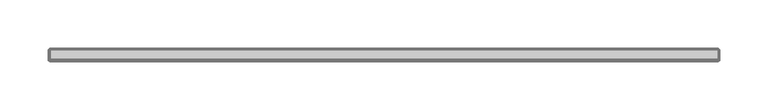
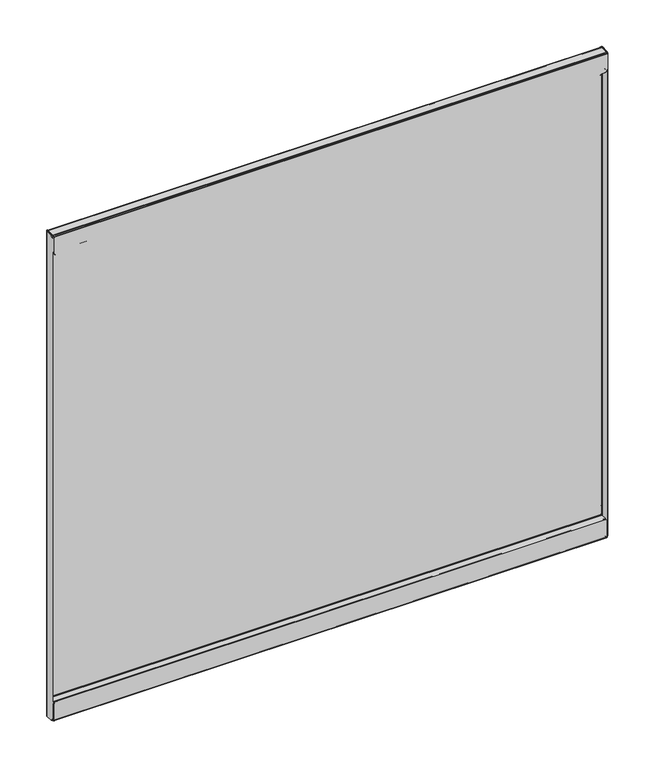
"""IFC4 building model written with IfcOpenShell, lengths in millimetres: furniture geometry."""

from ifc_helpers import new_model, si_unit, origin, place, context, project, spatial, triangles, source, transform, mapped, element, save


def furniture_196e73ff(model_context):
    return source(origin(), model_context, "Body", "Tessellation", [
        triangles([(36.8807998, -16.4083996, 61.8998009), (36.8807998, -15.6717996, 61.8998009), (36.1188005, -15.6717996, 61.695621), (36.1188005, -16.4083996, 61.695621), (35.5609767, -15.6717996, 61.1378016), (35.5609767, -16.4083996, 61.1378016), (35.356799, -15.6717996, 60.3757978), (35.356799, -16.4083996, 60.3757978), (35.356799, -16.4083996, 49.9364005), (35.356799, -15.6717996, 49.9364005), (35.356799, -15.8691713, 49.1997994), (35.356799, -16.5070854, 49.5681), (35.356799, -16.4083996, 48.66057), (35.356799, -16.7767001, 49.2984852), (35.356799, -17.1449995, 49.1997994), (35.356799, -17.1449995, 48.4631983), (726.6940155, -15.6717996, 49.9364005), (726.6940155, -15.8691713, 49.1997994), (726.6940155, -16.4083996, 48.66057), (726.6940155, -17.1449995, 48.4631983), (725.1699806, -16.4083996, 61.8998009), (725.1699806, -15.6717996, 61.8998009), (725.9319981, -15.6717996, 61.695621), (725.9319981, -16.4083996, 61.695621), (726.4898129, -15.6717996, 61.1378016), (726.4898129, -16.4083996, 61.1378016), (726.6940155, -15.6717996, 60.3757978), (726.6940155, -16.4083996, 60.3757978), (726.6940155, -16.4083996, 49.9364005), (726.6940155, -16.5070854, 49.5681), (726.6940155, -16.7767001, 49.2984852), (726.6940155, -17.1449995, 49.1997994), (35.356799, -25.4253989, 49.1997994), (35.356799, -25.4253989, 48.4631983), (35.356799, -25.7936995, 48.3645125), (35.356799, -26.162, 49.0024277), (35.356799, -26.0633142, 48.0948977), (35.356799, -26.7012295, 48.4631983), (35.356799, -26.162, 47.7266017), (35.356799, -26.8985989, 47.7266017), (726.6940155, -25.4253989, 48.4631983), (726.6940155, -25.7936995, 48.3645125), (726.6940155, -26.0633142, 48.0948977), (726.6940155, -26.162, 47.7266017), (726.6940155, -25.4253989, 49.1997994), (726.6940155, -26.162, 49.0024277), (726.6940155, -26.7012295, 48.4631983), (726.6940155, -26.8985989, 47.7266017), (35.356799, -26.162, 27.8130007), (35.356799, -26.8985989, 27.8130007), (35.356799, -26.0633142, 27.4447002), (35.356799, -26.7012295, 27.0763996), (35.356799, -26.162, 26.5371724), (35.356799, -25.7936995, 27.1750854), (35.356799, -25.4253989, 26.3398008), (35.356799, -25.4253989, 27.0763996), (726.6940155, -26.8985989, 27.8130007), (726.6940155, -26.7012295, 27.0763996), (726.6940155, -26.162, 26.5371724), (726.6940155, -25.4253989, 26.3398008), (726.6940155, -26.162, 27.8130007), (726.6940155, -26.0633142, 27.4447002), (726.6940155, -25.7936995, 27.1750854), (726.6940155, -25.4253989, 27.0763996), (35.356799, -16.4083996, 27.8130007), (35.356799, -15.6717996, 27.8130007), (35.356799, -15.8691713, 27.0763996), (35.356799, -16.5070854, 27.4447002), (35.356799, -16.7767001, 27.1750854), (35.356799, -16.4083996, 26.5371724), (35.356799, -17.1449995, 27.0763996), (35.356799, -17.1449995, 26.3398008), (726.6940155, -15.6717996, 27.8130007), (726.6940155, -15.8691713, 27.0763996), (726.6940155, -16.4083996, 26.5371724), (726.6940155, -17.1449995, 26.3398008), (726.6940155, -16.4083996, 27.8130007), (726.6940155, -16.5070854, 27.4447002), (726.6940155, -16.7767001, 27.1750854), (726.6940155, -17.1449995, 27.0763996), (35.356799, -16.4083996, 34.3408), (35.356799, -15.6717996, 34.3408), (35.5609767, -15.6717996, 35.1027992), (35.5609767, -16.4083996, 35.1027992), (36.1188005, -15.6717996, 35.6606231), (36.1188005, -16.4083996, 35.6606231), (36.8807998, -15.6717996, 35.8648008), (36.8807998, -16.4083996, 35.8648008), (726.6940155, -16.4083996, 34.3408), (726.4898129, -16.4083996, 35.1027992), (725.9319981, -16.4083996, 35.6606231), (725.1699806, -16.4083996, 35.8648008), (726.6940155, -15.6717996, 34.3408), (726.4898129, -15.6717996, 35.1027992), (725.9319981, -15.6717996, 35.6606231), (725.1699806, -15.6717996, 35.8648008), (36.1188005, -16.4083996, 630.9115625), (36.1188005, -15.6717996, 630.9115625), (36.8807998, -15.6717996, 630.7074326), (36.8807998, -16.4083996, 630.7074326), (35.5609767, -16.4083996, 631.4693773), (35.5609767, -15.6717996, 631.4693773), (35.356799, -16.4083996, 632.2313948), (35.356799, -15.6717996, 632.2313948), (35.356799, -16.5070854, 643.0390926), (35.356799, -15.8691713, 643.4073841), (35.356799, -16.4083996, 642.6708012), (35.356799, -15.6717996, 642.6708012), (35.356799, -16.7767001, 643.3086983), (35.356799, -16.4083996, 643.9465954), (35.356799, -17.1449995, 643.4073841), (35.356799, -17.1449995, 644.1439671), (726.6940155, -15.8691713, 643.4073841), (726.6940155, -15.6717996, 642.6708012), (726.6940155, -16.4083996, 643.9465954), (726.6940155, -17.1449995, 644.1439671), (725.9319981, -16.4083996, 630.9115625), (725.9319981, -15.6717996, 630.9115625), (725.1699806, -15.6717996, 630.7074326), (725.1699806, -16.4083996, 630.7074326), (726.4898129, -16.4083996, 631.4693773), (726.4898129, -15.6717996, 631.4693773), (726.6940155, -16.4083996, 632.2313948), (726.6940155, -15.6717996, 632.2313948), (726.6940155, -16.5070854, 643.0390926), (726.6940155, -16.4083996, 642.6708012), (726.6940155, -16.7767001, 643.3086983), (726.6940155, -17.1449995, 643.4073841), (35.356799, -26.162, 643.6047558), (35.356799, -25.7936995, 644.2426529), (35.356799, -25.4253989, 644.1439671), (35.356799, -25.4253989, 643.4073841), (35.356799, -26.7012295, 644.1439671), (35.356799, -26.0633142, 644.5123312), (35.356799, -26.8985989, 644.8806227), (35.356799, -26.162, 644.8806227), (726.6940155, -25.7936995, 644.2426529), (726.6940155, -25.4253989, 644.1439671), (726.6940155, -26.0633142, 644.5123312), (726.6940155, -26.162, 644.8806227), (726.6940155, -26.162, 643.6047558), (726.6940155, -25.4253989, 643.4073841), (726.6940155, -26.7012295, 644.1439671), (726.6940155, -26.8985989, 644.8806227), (35.356799, -26.0633142, 665.1625242), (35.356799, -26.7012295, 665.5308157), (35.356799, -26.162, 664.7942327), (35.356799, -26.8985989, 664.7942327), (35.356799, -25.7936995, 665.4321299), (35.356799, -26.162, 666.070027), (35.356799, -25.4253989, 665.5308157), (35.356799, -25.4253989, 666.2673986), (726.6940155, -26.7012295, 665.5308157), (726.6940155, -26.8985989, 664.7942327), (726.6940155, -26.162, 666.070027), (726.6940155, -25.4253989, 666.2673986), (726.6940155, -26.0633142, 665.1625242), (726.6940155, -26.162, 664.7942327), (726.6940155, -25.7936995, 665.4321299), (726.6940155, -25.4253989, 665.5308157), (35.356799, -16.5070854, 665.1625242), (35.356799, -15.8691713, 665.5308157), (35.356799, -16.4083996, 664.7942327), (35.356799, -15.6717996, 664.7942327), (35.356799, -16.7767001, 665.4321299), (35.356799, -16.4083996, 666.070027), (35.356799, -17.1449995, 665.5308157), (35.356799, -17.1449995, 666.2673986), (726.6940155, -15.8691713, 665.5308157), (726.6940155, -15.6717996, 664.7942327), (726.6940155, -16.4083996, 666.070027), (726.6940155, -17.1449995, 666.2673986), (726.6940155, -16.5070854, 665.1625242), (726.6940155, -16.4083996, 664.7942327), (726.6940155, -16.7767001, 665.4321299), (726.6940155, -17.1449995, 665.5308157), (35.5609767, -16.4083996, 657.5044161), (35.5609767, -15.6717996, 657.5044161), (35.356799, -15.6717996, 658.2664335), (35.356799, -16.4083996, 658.2664335), (36.1188005, -16.4083996, 656.9466013), (36.1188005, -15.6717996, 656.9466013), (36.8807998, -16.4083996, 656.7423986), (36.8807998, -15.6717996, 656.7423986), (726.4898129, -16.4083996, 657.5044161), (726.6940155, -16.4083996, 658.2664335), (725.9319981, -16.4083996, 656.9466013), (725.1699806, -16.4083996, 656.7423986), (726.4898129, -15.6717996, 657.5044161), (726.6940155, -15.6717996, 658.2664335), (725.9319981, -15.6717996, 656.9466013), (725.1699806, -15.6717996, 656.7423986), (33.2994005, -24.4602007, 667.0039816), (34.0359993, -24.4602007, 667.0039816), (33.2994005, -26.0476992, 666.5786442), (34.0359993, -26.0476992, 666.5786442), (33.2994005, -27.2098308, 665.4165058), (34.0359993, -27.2098308, 665.4165058), (33.2994005, -27.6352, 663.82903), (34.0359993, -27.6352, 663.82903), (34.0359993, -16.4338, 667.0039816), (33.2994005, -16.4338, 667.0039816), (34.1380893, -16.0528004, 667.0039816), (33.500174, -15.6844998, 667.0039816), (34.416999, -15.7738884, 667.0039816), (34.0487007, -15.1359743, 667.0039816), (34.7980009, -14.9351996, 667.0039816), (34.7980009, -15.6717996, 667.0039816), (34.7980009, -16.4338, 667.0039816), (34.7980009, -16.4338, 666.2673986), (34.7980009, -27.0763996, 667.0039816), (34.7980009, -27.0763996, 666.2673986), (34.7980009, -27.4573992, 666.1652973), (34.7980009, -27.8256998, 666.8031944), (34.7980009, -27.7363112, 665.8863899), (34.7980009, -28.3742265, 666.2546814), (34.7980009, -27.8383989, 665.5053812), (34.7980009, -28.575, 665.5053812), (34.7980009, -28.575, 644.77903), (34.7980009, -27.8383989, 644.77903), (35.2233701, -27.8383989, 643.1914816), (35.2233701, -28.575, 643.1914816), (36.3854994, -27.8383989, 642.0293432), (36.3854994, -28.575, 642.0293432), (37.9730001, -27.8383989, 641.6040058), (37.9730001, -28.575, 641.6040058), (726.6940155, -27.8383989, 644.77903), (726.2686054, -27.8383989, 643.1914816), (725.1064671, -27.8383989, 642.0293432), (723.5189913, -27.8383989, 641.6040058), (726.6940155, -28.575, 644.77903), (726.2686054, -28.575, 643.1914816), (725.1064671, -28.575, 642.0293432), (723.5189913, -28.575, 641.6040058), (726.6940155, -27.0763996, 666.2673986), (726.6940155, -27.4573992, 666.1652973), (726.6940155, -27.7363112, 665.8863899), (726.6940155, -27.8383989, 665.5053812), (726.6940155, -27.0763996, 667.0039816), (726.6940155, -27.8256998, 666.8031944), (726.6940155, -28.3742265, 666.2546814), (726.6940155, -28.575, 665.5053812), (726.6940155, -16.4338, 666.2673986), (726.6940155, -16.4338, 667.0039816), (726.6940155, -16.0676296, 666.9585629), (726.6940155, -16.2476116, 666.2442896), (726.6940155, -15.9498418, 666.0940081), (726.6940155, -15.482014, 666.6629414), (726.6940155, -15.7448079, 665.8308701), (726.6940155, -15.0787819, 666.1455311), (726.6940155, -15.6717996, 665.5053812), (726.6940155, -14.9351996, 665.5053812), (34.7980009, -16.0676296, 666.9585629), (34.7980009, -16.2476116, 666.2442896), (34.7980009, -15.9498418, 666.0940081), (34.7980009, -15.482014, 666.6629414), (34.7980009, -15.7448079, 665.8308701), (34.7980009, -15.0787819, 666.1455311), (34.7980009, -15.6717996, 665.5053812), (34.7980009, -14.9351996, 665.5053812), (726.6940155, -15.6717996, 27.1018), (34.7980009, -15.6717996, 27.1018), (726.6940155, -14.9351996, 27.1018), (34.7980009, -14.9351996, 27.1018), (726.6940155, -14.9351996, 667.0039816), (726.6940155, -15.6717996, 667.0039816), (728.1926159, -16.4338, 667.0039816), (727.4560329, -16.4338, 667.0039816), (727.3539316, -16.0528004, 667.0039816), (727.9918287, -15.6844998, 667.0039816), (727.0750242, -15.7738884, 667.0039816), (727.4433157, -15.1359743, 667.0039816), (727.4560329, -16.4338, 25.6031997), (727.3539316, -16.0528004, 25.6031997), (727.0750242, -15.7738884, 25.6031997), (726.6940155, -15.6717996, 25.6031997), (728.1926159, -16.4338, 25.6031997), (727.9918287, -15.6844998, 25.6031997), (727.4433157, -15.1359743, 25.6031997), (726.6940155, -14.9351996, 25.6031997), (726.6940155, -16.0861389, 25.6440856), (726.6940155, -16.2570235, 26.3605889), (726.6940155, -15.9548492, 26.5091377), (726.6940155, -15.4918619, 25.936228), (726.6940155, -15.7461932, 26.7734067), (726.6940155, -15.081507, 26.4559615), (34.7980009, -16.2570235, 26.3605889), (34.7980009, -15.9548492, 26.5091377), (34.7980009, -15.7461932, 26.7734067), (34.7980009, -15.081507, 26.4559615), (34.7980009, -15.4918619, 25.936228), (34.7980009, -16.0861389, 25.6440856), (726.6940155, -16.4338, 25.6031997), (34.7980009, -16.4338, 25.6031997), (34.7980009, -16.4338, 26.3398008), (726.6940155, -16.4338, 26.3398008), (726.6940155, -27.0763996, 26.3398008), (726.6940155, -27.0763996, 25.6031997), (34.7980009, -27.0763996, 26.3398008), (34.7980009, -27.0763996, 25.6031997), (34.7980009, -27.8383989, 27.1018), (34.7980009, -28.575, 27.1018), (34.7980009, -27.7363112, 26.7208004), (34.7980009, -28.3742265, 26.3524998), (34.7980009, -27.4573992, 26.4418885), (34.7980009, -27.8256998, 25.8039755), (726.6940155, -27.8383989, 27.1018), (726.6940155, -27.7363112, 26.7208004), (726.6940155, -27.4573992, 26.4418885), (726.6940155, -28.575, 27.1018), (726.6940155, -28.3742265, 26.3524998), (726.6940155, -27.8256998, 25.8039755), (728.1926159, -24.4602007, 25.6031997), (727.4560329, -24.4602007, 25.6031997), (728.1926159, -26.0476992, 26.0285689), (727.4560329, -26.0476992, 26.0285689), (728.1926159, -27.2098308, 27.1907004), (727.4560329, -27.2098308, 27.1907004), (728.1926159, -27.6352, 28.7781989), (727.4560329, -27.6352, 28.7781989), (727.4560329, -27.6352, 663.82903), (727.4560329, -27.2098308, 665.4165058), (727.4560329, -26.0476992, 666.5786442), (727.4560329, -24.4602007, 667.0039816), (728.1926159, -27.6352, 663.82903), (728.1926159, -27.2098308, 665.4165058), (728.1926159, -26.0476992, 666.5786442), (728.1926159, -24.4602007, 667.0039816), (726.6940155, -28.575, 47.8281989), (726.6940155, -27.8383989, 47.8281989), (723.5189913, -27.8383989, 51.0032004), (37.9730001, -27.8383989, 51.0032004), (37.9730001, -28.575, 51.0032004), (723.5189913, -28.575, 51.0032004), (36.3854994, -27.8383989, 50.5778312), (725.1064671, -27.8383989, 50.5778312), (35.2233701, -27.8383989, 49.4157019), (726.2686054, -27.8383989, 49.4157019), (34.7980009, -27.8383989, 47.8281989), (36.3854994, -28.575, 50.5778312), (35.2233701, -28.575, 49.4157019), (34.7980009, -28.575, 47.8281989), (725.1064671, -28.575, 50.5778312), (726.2686054, -28.575, 49.4157019), (34.0359993, -27.6352, 28.7781989), (34.0359993, -27.2098308, 27.1907004), (34.0359993, -26.0476992, 26.0285689), (34.0359993, -24.4602007, 25.6031997), (33.2994005, -27.6352, 28.7781989), (33.2994005, -27.2098308, 27.1907004), (33.2994005, -26.0476992, 26.0285689), (33.2994005, -24.4602007, 25.6031997), (34.7980009, -15.6717996, 25.6031997), (34.416999, -15.7738884, 25.6031997), (34.1380893, -16.0528004, 25.6031997), (34.0359993, -16.4338, 25.6031997), (34.7980009, -14.9351996, 25.6031997), (34.0487007, -15.1359743, 25.6031997), (33.500174, -15.6844998, 25.6031997), (33.2994005, -16.4338, 25.6031997)], [[1, 2, 3], [1, 3, 4], [4, 3, 5], [4, 5, 6], [6, 5, 7], [6, 7, 8], [9, 10, 11], [9, 11, 12], [12, 11, 13], [12, 13, 14], [14, 13, 15], [13, 16, 15], [10, 17, 18], [10, 18, 11], [11, 18, 19], [11, 19, 13], [13, 19, 20], [13, 20, 16], [21, 22, 23], [21, 23, 24], [24, 23, 25], [24, 25, 26], [26, 25, 27], [26, 27, 28], [29, 17, 18], [29, 18, 30], [30, 18, 19], [30, 19, 31], [31, 19, 32], [19, 20, 32], [29, 9, 12], [29, 12, 30], [30, 12, 14], [30, 14, 31], [31, 14, 15], [31, 15, 32], [33, 34, 35], [33, 35, 36], [36, 35, 37], [36, 37, 38], [38, 37, 39], [38, 39, 40], [34, 41, 42], [34, 42, 35], [35, 42, 43], [35, 43, 37], [37, 43, 44], [37, 44, 39], [41, 45, 46], [41, 46, 42], [42, 46, 47], [42, 47, 43], [43, 47, 44], [47, 48, 44], [45, 33, 36], [45, 36, 46], [46, 36, 38], [46, 38, 47], [47, 38, 40], [47, 40, 48], [49, 50, 51], [50, 52, 51], [51, 52, 53], [51, 53, 54], [54, 53, 55], [54, 55, 56], [50, 57, 58], [50, 58, 52], [52, 58, 59], [52, 59, 53], [53, 59, 60], [53, 60, 55], [57, 61, 62], [57, 62, 58], [58, 62, 63], [58, 63, 59], [59, 63, 60], [63, 64, 60], [61, 49, 51], [61, 51, 62], [62, 51, 54], [62, 54, 63], [63, 54, 56], [63, 56, 64], [65, 66, 67], [65, 67, 68], [68, 67, 69], [67, 70, 69], [69, 70, 71], [70, 72, 71], [66, 73, 74], [66, 74, 67], [67, 74, 75], [67, 75, 70], [70, 75, 76], [70, 76, 72], [73, 77, 74], [77, 78, 74], [74, 78, 79], [74, 79, 75], [75, 79, 80], [75, 80, 76], [77, 65, 68], [77, 68, 78], [78, 68, 69], [78, 69, 79], [79, 69, 71], [79, 71, 80], [1, 21, 24], [1, 24, 4], [4, 24, 26], [4, 26, 6], [6, 26, 28], [6, 28, 8], [22, 2, 3], [22, 3, 23], [23, 3, 5], [23, 5, 25], [25, 5, 7], [25, 7, 27], [81, 82, 83], [81, 83, 84], [84, 83, 85], [84, 85, 86], [86, 85, 87], [86, 87, 88], [81, 89, 90], [81, 90, 84], [84, 90, 91], [84, 91, 86], [86, 91, 92], [86, 92, 88], [89, 93, 94], [89, 94, 90], [90, 94, 95], [90, 95, 91], [91, 95, 96], [91, 96, 92], [93, 82, 83], [93, 83, 94], [94, 83, 85], [94, 85, 95], [95, 85, 87], [95, 87, 96], [27, 17, 10], [27, 10, 7], [82, 66, 73], [82, 73, 93], [29, 17, 28], [17, 27, 28], [28, 29, 9], [28, 9, 8], [8, 7, 10], [8, 10, 9], [15, 16, 33], [16, 34, 33], [33, 45, 32], [33, 32, 15], [40, 39, 49], [40, 49, 50], [50, 40, 48], [50, 48, 57], [20, 32, 45], [20, 45, 41], [44, 48, 57], [44, 57, 61], [64, 60, 76], [64, 76, 80], [77, 73, 89], [73, 93, 89], [92, 96, 87], [92, 87, 88], [20, 41, 34], [20, 34, 16], [49, 39, 44], [49, 44, 61], [64, 80, 71], [64, 71, 56], [76, 60, 55], [76, 55, 72], [81, 82, 66], [81, 66, 65], [71, 72, 56], [72, 55, 56], [97, 98, 99], [97, 99, 100], [101, 102, 98], [101, 98, 97], [103, 104, 102], [103, 102, 101], [105, 106, 107], [106, 108, 107], [109, 110, 105], [110, 106, 105], [111, 112, 110], [111, 110, 109], [106, 113, 114], [106, 114, 108], [110, 115, 113], [110, 113, 106], [112, 116, 115], [112, 115, 110], [117, 118, 119], [117, 119, 120], [121, 122, 118], [121, 118, 117], [123, 124, 122], [123, 122, 121], [125, 113, 126], [113, 114, 126], [127, 115, 125], [115, 113, 125], [128, 116, 115], [128, 115, 127], [125, 105, 107], [125, 107, 126], [127, 109, 105], [127, 105, 125], [128, 111, 109], [128, 109, 127], [129, 130, 131], [129, 131, 132], [133, 134, 129], [134, 130, 129], [135, 136, 133], [136, 134, 133], [130, 137, 138], [130, 138, 131], [134, 139, 137], [134, 137, 130], [136, 140, 139], [136, 139, 134], [137, 141, 142], [137, 142, 138], [139, 143, 141], [139, 141, 137], [140, 144, 143], [140, 143, 139], [141, 129, 132], [141, 132, 142], [143, 133, 129], [143, 129, 141], [144, 135, 133], [144, 133, 143], [145, 146, 147], [146, 148, 147], [149, 150, 145], [150, 146, 145], [151, 152, 150], [151, 150, 149], [146, 153, 154], [146, 154, 148], [150, 155, 153], [150, 153, 146], [152, 156, 155], [152, 155, 150], [153, 157, 158], [153, 158, 154], [155, 159, 157], [155, 157, 153], [156, 160, 159], [156, 159, 155], [157, 145, 147], [157, 147, 158], [159, 149, 145], [159, 145, 157], [160, 151, 149], [160, 149, 159], [161, 162, 163], [162, 164, 163], [165, 166, 161], [166, 162, 161], [167, 168, 166], [167, 166, 165], [162, 169, 170], [162, 170, 164], [166, 171, 169], [166, 169, 162], [168, 172, 171], [168, 171, 166], [169, 173, 174], [169, 174, 170], [171, 175, 173], [171, 173, 169], [172, 176, 175], [172, 175, 171], [173, 161, 163], [173, 163, 174], [175, 165, 161], [175, 161, 173], [176, 167, 165], [176, 165, 175], [97, 117, 120], [97, 120, 100], [101, 121, 117], [101, 117, 97], [103, 123, 121], [103, 121, 101], [118, 98, 99], [118, 99, 119], [122, 102, 98], [122, 98, 118], [124, 104, 102], [124, 102, 122], [177, 178, 179], [177, 179, 180], [181, 182, 178], [181, 178, 177], [183, 184, 182], [183, 182, 181], [177, 185, 186], [177, 186, 180], [181, 187, 185], [181, 185, 177], [183, 188, 187], [183, 187, 181], [185, 189, 190], [185, 190, 186], [187, 191, 189], [187, 189, 185], [188, 192, 191], [188, 191, 187], [189, 178, 179], [189, 179, 190], [191, 182, 178], [191, 178, 189], [192, 184, 182], [192, 182, 191], [104, 108, 114], [104, 114, 124], [190, 170, 164], [190, 164, 179], [123, 124, 114], [123, 114, 126], [103, 107, 126], [103, 126, 123], [107, 108, 104], [107, 104, 103], [132, 131, 112], [132, 112, 111], [111, 128, 142], [111, 142, 132], [148, 147, 136], [148, 136, 135], [154, 144, 135], [154, 135, 148], [138, 142, 128], [138, 128, 116], [158, 154, 144], [158, 144, 140], [176, 172, 156], [176, 156, 160], [186, 190, 170], [186, 170, 174], [183, 184, 192], [183, 192, 188], [112, 131, 138], [112, 138, 116], [158, 140, 136], [158, 136, 147], [151, 167, 176], [151, 176, 160], [168, 152, 156], [168, 156, 172], [163, 164, 179], [163, 179, 180], [151, 152, 168], [151, 168, 167], [193, 194, 195], [194, 196, 195], [195, 196, 197], [196, 198, 197], [197, 198, 199], [198, 200, 199], [201, 202, 203], [202, 204, 203], [203, 204, 205], [204, 206, 205], [205, 206, 207], [205, 207, 208], [201, 202, 194], [202, 193, 194], [209, 210, 211], [210, 212, 211], [211, 212, 213], [211, 213, 214], [214, 213, 215], [214, 215, 216], [216, 215, 217], [216, 217, 218], [219, 220, 221], [219, 221, 222], [222, 221, 223], [222, 223, 224], [224, 223, 225], [224, 225, 226], [220, 227, 228], [220, 228, 221], [221, 228, 229], [221, 229, 223], [223, 229, 230], [223, 230, 225], [227, 231, 228], [231, 232, 228], [228, 232, 229], [232, 233, 229], [229, 233, 230], [233, 234, 230], [231, 219, 222], [231, 222, 232], [232, 222, 224], [232, 224, 233], [233, 224, 226], [233, 226, 234], [225, 226, 234], [225, 234, 230], [212, 235, 236], [212, 236, 213], [213, 236, 237], [213, 237, 215], [215, 237, 238], [215, 238, 217], [235, 239, 240], [235, 240, 236], [236, 240, 237], [240, 241, 237], [237, 241, 238], [241, 242, 238], [239, 211, 214], [239, 214, 240], [240, 214, 216], [240, 216, 241], [241, 216, 218], [241, 218, 242], [210, 212, 235], [210, 235, 243], [243, 244, 239], [243, 239, 235], [239, 244, 209], [239, 209, 211], [218, 217, 220], [218, 220, 219], [220, 227, 238], [220, 238, 217], [218, 219, 231], [218, 231, 242], [242, 238, 227], [242, 227, 231], [245, 246, 247], [245, 247, 248], [248, 247, 249], [248, 249, 250], [250, 249, 251], [250, 251, 252], [245, 244, 246], [244, 243, 246], [244, 245, 253], [244, 253, 209], [209, 210, 254], [209, 254, 253], [253, 254, 255], [253, 255, 256], [256, 255, 257], [256, 257, 258], [258, 257, 259], [258, 259, 260], [259, 251, 249], [259, 249, 257], [257, 249, 247], [257, 247, 255], [255, 247, 246], [255, 246, 254], [252, 260, 258], [252, 258, 250], [250, 258, 256], [250, 256, 248], [248, 256, 253], [248, 253, 245], [259, 251, 261], [259, 261, 262], [260, 252, 263], [260, 263, 264], [259, 260, 264], [259, 264, 262], [252, 251, 261], [252, 261, 263], [251, 252, 265], [251, 265, 266], [267, 268, 269], [267, 269, 270], [270, 269, 271], [270, 271, 272], [272, 271, 266], [272, 266, 265], [268, 273, 274], [268, 274, 269], [269, 274, 275], [269, 275, 271], [271, 275, 276], [271, 276, 266], [277, 273, 274], [277, 274, 278], [278, 274, 275], [278, 275, 279], [279, 275, 276], [279, 276, 280], [277, 267, 270], [277, 270, 278], [278, 270, 272], [278, 272, 279], [279, 272, 265], [279, 265, 280], [261, 263, 280], [261, 280, 276], [281, 282, 283], [281, 283, 284], [284, 283, 285], [284, 285, 286], [286, 285, 261], [286, 261, 263], [282, 287, 288], [282, 288, 283], [283, 288, 289], [283, 289, 285], [285, 289, 262], [285, 262, 261], [262, 264, 290], [262, 290, 289], [289, 290, 291], [289, 291, 288], [288, 291, 287], [291, 292, 287], [264, 263, 286], [264, 286, 290], [290, 286, 284], [290, 284, 291], [291, 284, 281], [291, 281, 292], [281, 293, 294], [281, 294, 292], [295, 287, 292], [295, 292, 294], [295, 287, 282], [295, 282, 296], [282, 296, 293], [282, 293, 281], [297, 298, 293], [297, 293, 296], [296, 295, 297], [295, 299, 297], [293, 294, 298], [294, 300, 298], [301, 302, 303], [302, 304, 303], [303, 304, 305], [304, 306, 305], [305, 306, 300], [305, 300, 299], [301, 307, 308], [301, 308, 303], [303, 308, 309], [303, 309, 305], [305, 309, 297], [305, 297, 299], [310, 302, 304], [310, 304, 311], [311, 304, 306], [311, 306, 312], [312, 306, 300], [312, 300, 298], [310, 307, 308], [310, 308, 311], [311, 308, 309], [311, 309, 312], [312, 309, 298], [309, 297, 298], [313, 314, 315], [314, 316, 315], [315, 316, 317], [316, 318, 317], [317, 318, 319], [318, 320, 319], [320, 321, 322], [320, 322, 318], [318, 322, 323], [318, 323, 316], [316, 323, 324], [316, 324, 314], [321, 325, 326], [321, 326, 322], [322, 326, 327], [322, 327, 323], [323, 327, 328], [323, 328, 324], [320, 319, 325], [320, 325, 321], [268, 324, 314], [268, 314, 273], [273, 314, 313], [273, 313, 277], [277, 313, 328], [277, 328, 267], [267, 268, 328], [268, 324, 328], [310, 307, 329], [307, 330, 329], [331, 332, 333], [331, 333, 334], [331, 332, 335], [331, 335, 336], [336, 335, 337], [336, 337, 338], [338, 337, 339], [338, 339, 330], [332, 333, 340], [332, 340, 335], [335, 340, 337], [340, 341, 337], [337, 341, 342], [337, 342, 339], [333, 334, 343], [333, 343, 340], [340, 343, 344], [340, 344, 341], [341, 344, 329], [341, 329, 342], [334, 331, 336], [334, 336, 343], [343, 336, 338], [343, 338, 344], [344, 338, 330], [344, 330, 329], [200, 345, 346], [200, 346, 198], [198, 346, 347], [198, 347, 196], [196, 347, 348], [196, 348, 194], [345, 349, 350], [345, 350, 346], [346, 350, 351], [346, 351, 347], [347, 351, 352], [347, 352, 348], [349, 199, 197], [349, 197, 350], [350, 197, 195], [350, 195, 351], [351, 195, 193], [351, 193, 352], [200, 199, 349], [200, 349, 345], [208, 207, 260], [208, 260, 259], [208, 353, 354], [208, 354, 205], [205, 354, 355], [205, 355, 203], [203, 355, 356], [203, 356, 201], [353, 357, 358], [353, 358, 354], [354, 358, 359], [354, 359, 355], [355, 359, 356], [359, 360, 356], [262, 264, 357], [262, 357, 353], [357, 207, 206], [357, 206, 358], [358, 206, 204], [358, 204, 359], [359, 204, 202], [359, 202, 360], [201, 194, 348], [201, 348, 356], [202, 193, 352], [202, 352, 360], [307, 330, 301], [330, 339, 301], [301, 302, 342], [301, 342, 339], [310, 329, 302], [329, 342, 302], [319, 325, 326], [319, 326, 317], [326, 317, 315], [326, 315, 327], [315, 327, 328], [315, 328, 313]], closed=False),
    ])


if __name__ == "__main__":
    model = new_model("IFC4")
    model_context = context("Model", 3, world=origin())
    ifc_project = project(units=[si_unit("LENGTHUNIT", "METRE", prefix="MILLI")], contexts=[model_context])
    site = spatial("IfcSite", under=ifc_project)
    building = spatial("IfcBuilding", under=site)
    placement = place(None, origin())
    furniture_shape = furniture_196e73ff(model_context)
    element("IfcFurniture", 1, at=placement, inside=building, context=model_context, shape_type="MappedRepresentation", body=[
        mapped(furniture_shape, transform((0.0, 0.0, 0.0), x_axis=(1.0, 0.0, 0.0), y_axis=(0.0, 1.0, 0.0), z_axis=(0.0, 0.0, 1.0))),
    ])
    save(model, "model.ifc")
